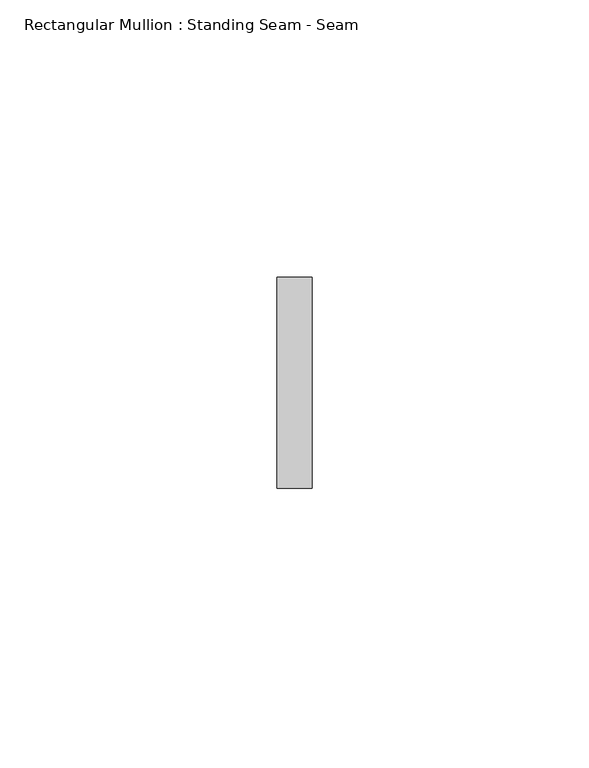
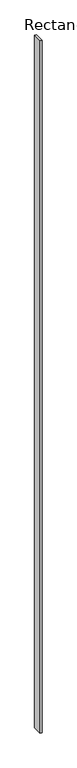
"""IFC4 building model written with IfcOpenShell, lengths in millimetres: member geometry, Rectangular Mullion : Standing Seam - Seam."""

from ifc_helpers import new_model, si_unit, frame, origin, place, context, project, spatial, polyline, outline, extrude, source, transform, mapped, element, save


def rectangular_mullion_standing_seam_seam_a36a1ebb(model_context):
    return source(origin(), model_context, "Body", "SweptSolid", [
        extrude(outline(polyline([(3.175, 41.275), (3.175, 3.175), (-3.175, 3.175), (-3.175, 41.275), (3.175, 41.275)])), frame((0.0, 0.0, -2887.9926873), z_axis=(0.0, 0.0, 1.0), x_axis=(1.0, 0.0, 0.0)), (0.0, 0.0, 1.0), 2887.9926873),
    ])


if __name__ == "__main__":
    model = new_model("IFC4")
    model_context = context("Model", 3, world=origin())
    ifc_project = project(units=[si_unit("LENGTHUNIT", "METRE", prefix="MILLI")], contexts=[model_context])
    site = spatial("IfcSite", under=ifc_project)
    building = spatial("IfcBuilding", under=site)
    placement = place(None, origin())
    rectangular_mullion_standing_seam_seam_shape = rectangular_mullion_standing_seam_seam_a36a1ebb(model_context)
    element("IfcMember", 1, ObjectType="Rectangular Mullion : Standing Seam - Seam", at=placement, inside=building, context=model_context, shape_type="MappedRepresentation", body=[
        mapped(rectangular_mullion_standing_seam_seam_shape, transform((0.0, 0.0, 0.0), x_axis=(1.0, 0.0, 0.0), y_axis=(0.0, 1.0, 0.0), z_axis=(0.0, 0.0, 1.0))),
    ])
    save(model, "model.ifc")
